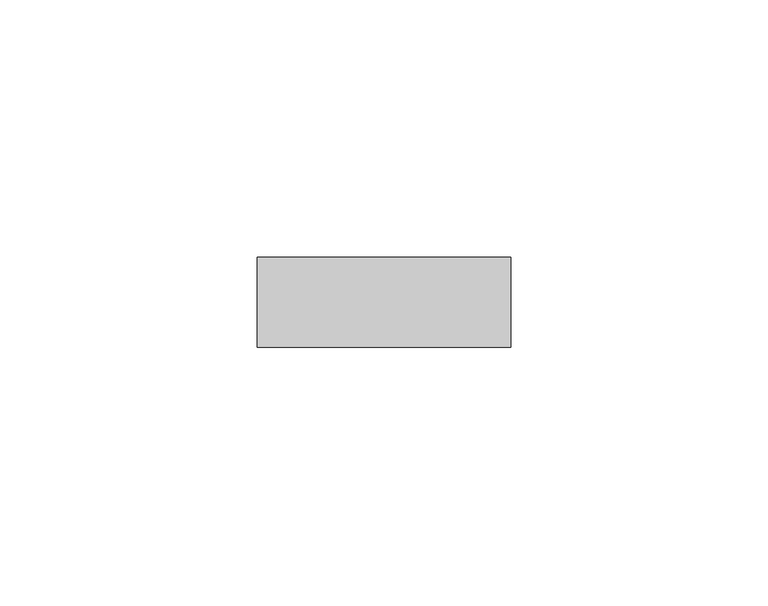
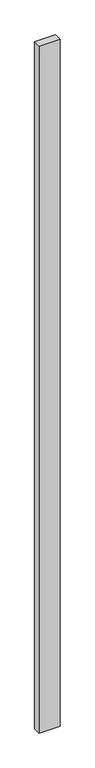
"""IFC4 building model written with IfcOpenShell, lengths in millimetres: plate geometry."""

from ifc_helpers import new_model, si_unit, origin, origin_with_axes, place, context, project, spatial, polyline, outline, extrude, source, transform, mapped, element, save


def plate_a43005b0(model_context):
    return source(origin(), model_context, "Body", "SweptSolid", [
        extrude(outline(polyline([(24.6340206, -8.73125), (-24.6340206, -8.73125), (-24.6340206, 8.73125), (24.6340206, 8.73125), (24.6340206, -8.73125)])), origin_with_axes(), (0.0, 0.0, 1.0), 1708.8912252),
    ])


if __name__ == "__main__":
    model = new_model("IFC4")
    model_context = context("Model", 3, world=origin())
    ifc_project = project(units=[si_unit("LENGTHUNIT", "METRE", prefix="MILLI")], contexts=[model_context])
    site = spatial("IfcSite", under=ifc_project)
    building = spatial("IfcBuilding", under=site)
    placement = place(None, origin())
    plate_shape = plate_a43005b0(model_context)
    element("IfcPlate", 1, at=placement, inside=building, context=model_context, shape_type="MappedRepresentation", body=[
        mapped(plate_shape, transform((0.0, 0.0, 0.0), x_axis=(1.0, 0.0, 0.0), y_axis=(0.0, 1.0, 0.0), z_axis=(0.0, 0.0, 1.0))),
    ])
    save(model, "model.ifc")
